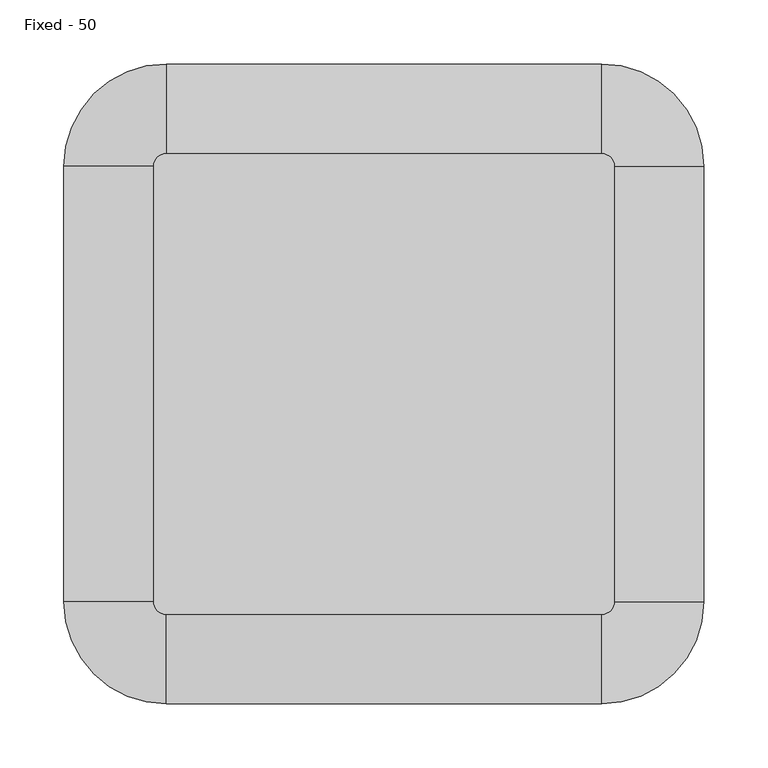
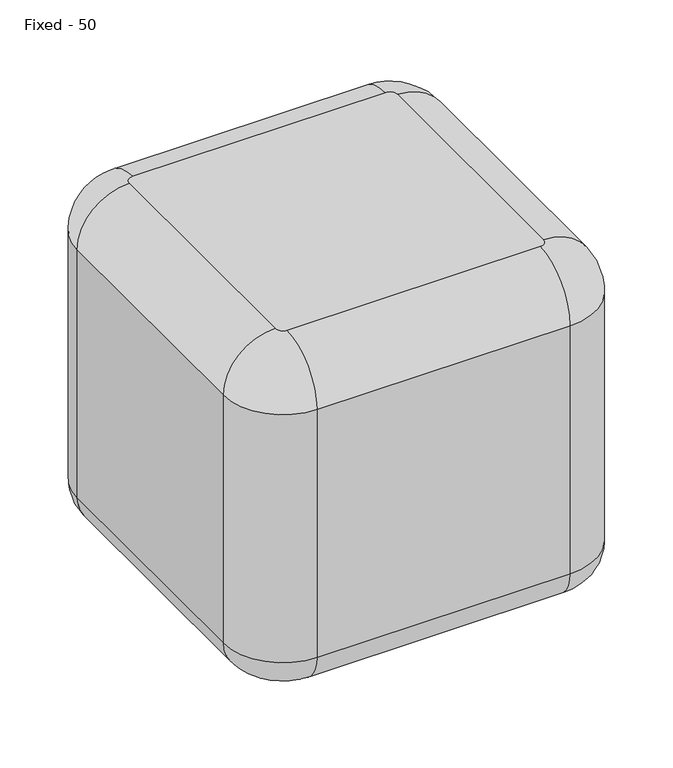
"""IFC4 building model written with IfcOpenShell, lengths in millimetres: furniture geometry, Fixed - 50."""

from ifc_helpers import new_model, si_unit, point, frame, frame_2d, origin, origin_with_axes, place, context, project, spatial, circle_curve, ellipse_curve, trimmed, segment, composite_curve, outline, extrude, source, transform, mapped, element, save
from ifc_brep_helpers import plane_surface, cylinder_surface, revolved_surface, advanced_brep


def fixed_50_8c2d9445(model_context):
    return source(origin(), model_context, "Body", "SolidModel", [
        extrude(outline(composite_curve([segment(trimmed(circle_curve(frame_2d((111.5, 395.0)), 20.0), [point((91.5, 395.0))], [point((131.5, 395.0))], False, "CARTESIAN"), True, "CONTINUOUS"), segment(trimmed(circle_curve(frame_2d((111.5, 395.0)), 20.0), [point((131.5, 395.0))], [point((91.5, 395.0))], False, "CARTESIAN"), True, "CONTINUOUS")], self_intersect=False)), origin_with_axes(), (0.0, 0.0, 1.0), 18.0),
        extrude(outline(composite_curve([segment(trimmed(circle_curve(frame_2d((388.5, 395.0)), 20.0), [point((368.5, 395.0))], [point((408.5, 395.0))], False, "CARTESIAN"), True, "CONTINUOUS"), segment(trimmed(circle_curve(frame_2d((388.5, 395.0)), 20.0), [point((408.5, 395.0))], [point((368.5, 395.0))], False, "CARTESIAN"), True, "CONTINUOUS")], self_intersect=False)), origin_with_axes(), (0.0, 0.0, 1.0), 18.0),
        extrude(outline(composite_curve([segment(trimmed(circle_curve(frame_2d((111.5, 105.0)), 20.0), [point((91.5, 105.0))], [point((131.5, 105.0))], False, "CARTESIAN"), True, "CONTINUOUS"), segment(trimmed(circle_curve(frame_2d((111.5, 105.0)), 20.0), [point((131.5, 105.0))], [point((91.5, 105.0))], False, "CARTESIAN"), True, "CONTINUOUS")], self_intersect=False)), origin_with_axes(), (0.0, 0.0, 1.0), 18.0),
        extrude(outline(composite_curve([segment(trimmed(circle_curve(frame_2d((388.5, 105.0)), 20.0), [point((368.5, 105.0))], [point((408.5, 105.0))], False, "CARTESIAN"), True, "CONTINUOUS"), segment(trimmed(circle_curve(frame_2d((388.5, 105.0)), 20.0), [point((408.5, 105.0))], [point((368.5, 105.0))], False, "CARTESIAN"), True, "CONTINUOUS")], self_intersect=False)), origin_with_axes(), (0.0, 0.0, 1.0), 18.0),
        advanced_brep(
        [(430.0, 420.0, 490.0), (420.0, 430.0, 490.0), (80.0, 430.0, 490.0), (70.0, 420.0, 490.0), (70.0, 80.0, 490.0), (80.0, 70.0, 490.0), (420.0, 70.0, 490.0), (430.0, 80.0, 490.0), (420.0, 450.0, 18.0), (450.0, 420.0, 18.0), (450.0, 80.0, 18.0), (420.0, 50.0, 18.0), (80.0, 50.0, 18.0), (50.0, 80.0, 18.0), (50.0, 420.0, 18.0), (80.0, 450.0, 18.0), (500.0, 420.0, 420.0), (420.0, 500.0, 420.0), (500.0, 420.0, 68.0), (420.0, 500.0, 68.0), (500.0, 80.0, 420.0), (500.0, 80.0, 68.0), (420.0, 0.0, 420.0), (420.0, 0.0, 68.0), (80.0, 0.0, 420.0), (80.0, 0.0, 68.0), (0.0, 80.0, 420.0), (0.0, 80.0, 68.0), (0.0, 420.0, 420.0), (0.0, 420.0, 68.0), (80.0, 500.0, 420.0), (80.0, 500.0, 68.0)],
        [
            (0, 1, circle_curve(frame((420.0, 420.0, 490.0), z_axis=(0.0, 0.0, 1.0), x_axis=(0.0, 1.0, 0.0)), 10.0)),
            (1, 2),
            (2, 3, circle_curve(frame((80.0, 420.0, 490.0), z_axis=(0.0, 0.0, 1.0), x_axis=(-1.0, 0.0, 0.0)), 10.0)),
            (3, 4),
            (4, 5, circle_curve(frame((80.0, 80.0, 490.0), z_axis=(0.0, 0.0, 1.0), x_axis=(0.0, -1.0, 0.0)), 10.0)),
            (5, 6),
            (6, 7, circle_curve(frame((420.0, 80.0, 490.0), z_axis=(0.0, 0.0, 1.0), x_axis=(1.0, 0.0, 0.0)), 10.0)),
            (7, 0),
            (8, 9, circle_curve(frame((420.0, 420.0, 18.0), z_axis=(0.0, 0.0, -1.0), x_axis=(0.0, 1.0, 0.0)), 30.0)),
            (9, 10),
            (10, 11, circle_curve(frame((420.0, 80.0, 18.0), z_axis=(0.0, 0.0, -1.0), x_axis=(1.0, 0.0, 0.0)), 30.0)),
            (11, 12),
            (12, 13, circle_curve(frame((80.0, 80.0, 18.0), z_axis=(0.0, 0.0, -1.0), x_axis=(0.0, -1.0, 0.0)), 30.0)),
            (13, 14),
            (14, 15, circle_curve(frame((80.0, 420.0, 18.0), z_axis=(0.0, 0.0, -1.0), x_axis=(-1.0, 0.0, 0.0)), 30.0)),
            (15, 8),
            (16, 17, circle_curve(frame((420.0, 420.0, 420.0), z_axis=(0.0, 0.0, 1.0), x_axis=(0.0, 1.0, 0.0)), 80.0)),
            (17, 1, circle_curve(frame((420.0, 430.0, 420.0), z_axis=(1.0, 0.0, 0.0), x_axis=(0.0, 1.0, 0.0)), 70.0)),
            (0, 16, circle_curve(frame((430.0, 420.0, 420.0), z_axis=(0.0, 1.0, 0.0), x_axis=(1.0, 0.0, 0.0)), 70.0)),
            (16, 18),
            (18, 19, circle_curve(frame((420.0, 420.0, 68.0), z_axis=(0.0, 0.0, 1.0), x_axis=(0.0, 1.0, 0.0)), 80.0)),
            (19, 17),
            (18, 9, circle_curve(frame((450.0, 420.0, 68.0), z_axis=(0.0, 1.0, 0.0), x_axis=(1.0, 0.0, 0.0)), 50.0)),
            (8, 19, circle_curve(frame((420.0, 450.0, 68.0), z_axis=(1.0, 0.0, 0.0), x_axis=(0.0, 1.0, 0.0)), 50.0)),
            (7, 20, circle_curve(frame((430.0, 80.0, 420.0), z_axis=(0.0, 1.0, 0.0), x_axis=(1.0, 0.0, 0.0)), 70.0)),
            (20, 16),
            (20, 21),
            (21, 18),
            (21, 10, circle_curve(frame((450.0, 80.0, 68.0), z_axis=(0.0, 1.0, 0.0), x_axis=(1.0, 0.0, 0.0)), 50.0)),
            (6, 22, circle_curve(frame((420.0, 70.0, 420.0), z_axis=(1.0, 0.0, 0.0), x_axis=(0.0, -1.0, 0.0)), 70.0)),
            (22, 20, circle_curve(frame((420.0, 80.0, 420.0), z_axis=(0.0, 0.0, 1.0), x_axis=(1.0, 0.0, 0.0)), 80.0)),
            (22, 23),
            (23, 21, circle_curve(frame((420.0, 80.0, 68.0), z_axis=(0.0, 0.0, 1.0), x_axis=(1.0, 0.0, 0.0)), 80.0)),
            (23, 11, circle_curve(frame((420.0, 50.0, 68.0), z_axis=(1.0, 0.0, 0.0), x_axis=(0.0, -1.0, 0.0)), 50.0)),
            (5, 24, circle_curve(frame((80.0, 70.0, 420.0), z_axis=(1.0, 0.0, 0.0), x_axis=(0.0, -1.0, 0.0)), 70.0)),
            (24, 22),
            (24, 25),
            (25, 23),
            (25, 12, circle_curve(frame((80.0, 50.0, 68.0), z_axis=(1.0, 0.0, 0.0), x_axis=(0.0, -1.0, 0.0)), 50.0)),
            (4, 26, circle_curve(frame((70.0, 80.0, 420.0), z_axis=(0.0, -1.0, 0.0), x_axis=(-1.0, 0.0, 0.0)), 70.0)),
            (26, 24, circle_curve(frame((80.0, 80.0, 420.0), z_axis=(0.0, 0.0, 1.0), x_axis=(0.0, -1.0, 0.0)), 80.0)),
            (26, 27),
            (27, 25, circle_curve(frame((80.0, 80.0, 68.0), z_axis=(0.0, 0.0, 1.0), x_axis=(0.0, -1.0, 0.0)), 80.0)),
            (27, 13, circle_curve(frame((50.0, 80.0, 68.0), z_axis=(0.0, -1.0, 0.0), x_axis=(-1.0, 0.0, 0.0)), 50.0)),
            (3, 28, circle_curve(frame((70.0, 420.0, 420.0), z_axis=(0.0, -1.0, 0.0), x_axis=(-1.0, 0.0, 0.0)), 70.0)),
            (28, 26),
            (28, 29),
            (29, 27),
            (29, 14, circle_curve(frame((50.0, 420.0, 68.0), z_axis=(0.0, -1.0, 0.0), x_axis=(-1.0, 0.0, 0.0)), 50.0)),
            (2, 30, circle_curve(frame((80.0, 430.0, 420.0), z_axis=(-1.0, 0.0, 0.0), x_axis=(0.0, 1.0, 0.0)), 70.0)),
            (30, 28, circle_curve(frame((80.0, 420.0, 420.0), z_axis=(0.0, 0.0, 1.0), x_axis=(-1.0, 0.0, 0.0)), 80.0)),
            (30, 31),
            (31, 29, circle_curve(frame((80.0, 420.0, 68.0), z_axis=(0.0, 0.0, 1.0), x_axis=(-1.0, 0.0, 0.0)), 80.0)),
            (31, 15, circle_curve(frame((80.0, 450.0, 68.0), z_axis=(-1.0, 0.0, 0.0), x_axis=(0.0, 1.0, 0.0)), 50.0)),
            (17, 30),
            (19, 31),
        ],
        [
            plane_surface(frame((80.0, 423.0, 490.0), z_axis=(0.0, 0.0, 1.0), x_axis=(-1.0, 0.0, 0.0))),
            plane_surface(frame((80.0, 423.0, 18.0), z_axis=(0.0, 0.0, -1.0), x_axis=(1.0, 0.0, 0.0))),
            revolved_surface(trimmed(ellipse_curve(frame((420.0, 430.0, 420.0), z_axis=(-1.0, 0.0, 0.0), x_axis=(0.0, 1.0, 0.0)), 70.0, 70.0), [point((420.0, 430.0, 490.0))], [point((420.0, 500.0, 420.0))], True, "CARTESIAN"), (420.0, 420.0, 0.0), (0.0, 0.0, -1.0)),
            cylinder_surface(frame((420.0, 420.0, 0.0), z_axis=(0.0, 0.0, -1.0), x_axis=(0.0, 1.0, 0.0)), 80.0),
            revolved_surface(trimmed(ellipse_curve(frame((420.0, 450.0, 68.0), z_axis=(-1.0, 0.0, 0.0), x_axis=(0.0, 1.0, 0.0)), 50.0, 50.0), [point((420.0, 500.0, 68.0))], [point((420.0, 450.0, 18.0))], True, "CARTESIAN"), (420.0, 420.0, 0.0), (0.0, 0.0, -1.0)),
            cylinder_surface(frame((430.0, 420.0, 420.0), z_axis=(0.0, 1.0, 0.0), x_axis=(1.0, 0.0, 0.0)), 70.0),
            plane_surface(frame((500.0, 420.0, 420.0), z_axis=(1.0, 0.0, 0.0), x_axis=(0.0, -1.0, 0.0))),
            cylinder_surface(frame((450.0, 420.0, 68.0), z_axis=(0.0, 1.0, 0.0), x_axis=(1.0, 0.0, 0.0)), 50.0),
            revolved_surface(trimmed(ellipse_curve(frame((430.0, 80.0, 420.0), z_axis=(0.0, 1.0, 0.0), x_axis=(1.0, 0.0, 0.0)), 70.0, 70.0), [point((430.0, 80.0, 490.0))], [point((500.0, 80.0, 420.0))], True, "CARTESIAN"), (420.0, 80.0, 0.0), (0.0, 0.0, -1.0)),
            cylinder_surface(frame((420.0, 80.0, 0.0), z_axis=(0.0, 0.0, -1.0), x_axis=(1.0, 0.0, 0.0)), 80.0),
            revolved_surface(trimmed(ellipse_curve(frame((450.0, 80.0, 68.0), z_axis=(0.0, 1.0, 0.0), x_axis=(1.0, 0.0, 0.0)), 50.0, 50.0), [point((500.0, 80.0, 68.0))], [point((450.0, 80.0, 18.0))], True, "CARTESIAN"), (420.0, 80.0, 0.0), (0.0, 0.0, -1.0)),
            cylinder_surface(frame((420.0, 70.0, 420.0), z_axis=(1.0, 0.0, 0.0), x_axis=(0.0, -1.0, 0.0)), 70.0),
            plane_surface(frame((420.0, 0.0, 420.0), z_axis=(0.0, -1.0, 0.0), x_axis=(-1.0, 0.0, 0.0))),
            cylinder_surface(frame((420.0, 50.0, 68.0), z_axis=(1.0, 0.0, 0.0), x_axis=(0.0, -1.0, 0.0)), 50.0),
            revolved_surface(trimmed(ellipse_curve(frame((80.0, 70.0, 420.0), z_axis=(1.0, 0.0, 0.0), x_axis=(0.0, -1.0, 0.0)), 70.0, 70.0), [point((80.0, 70.0, 490.0))], [point((80.0, 0.0, 420.0))], True, "CARTESIAN"), (80.0, 80.0, 0.0), (0.0, 0.0, -1.0)),
            cylinder_surface(frame((80.0, 80.0, 0.0), z_axis=(0.0, 0.0, -1.0), x_axis=(0.0, -1.0, 0.0)), 80.0),
            revolved_surface(trimmed(ellipse_curve(frame((80.0, 50.0, 68.0), z_axis=(1.0, 0.0, 0.0), x_axis=(0.0, -1.0, 0.0)), 50.0, 50.0), [point((80.0, 0.0, 68.0))], [point((80.0, 50.0, 18.0))], True, "CARTESIAN"), (80.0, 80.0, 0.0), (0.0, 0.0, -1.0)),
            cylinder_surface(frame((70.0, 80.0, 420.0), z_axis=(0.0, -1.0, 0.0), x_axis=(-1.0, 0.0, 0.0)), 70.0),
            plane_surface(frame((0.0, 80.0, 420.0), z_axis=(-1.0, 0.0, 0.0), x_axis=(0.0, 1.0, 0.0))),
            cylinder_surface(frame((50.0, 80.0, 68.0), z_axis=(0.0, -1.0, 0.0), x_axis=(-1.0, 0.0, 0.0)), 50.0),
            revolved_surface(trimmed(ellipse_curve(frame((70.0, 420.0, 420.0), z_axis=(0.0, -1.0, 0.0), x_axis=(-1.0, 0.0, 0.0)), 70.0, 70.0), [point((70.0, 420.0, 490.0))], [point((0.0, 420.0, 420.0))], True, "CARTESIAN"), (80.0, 420.0, 0.0), (0.0, 0.0, -1.0)),
            cylinder_surface(frame((80.0, 420.0, 0.0), z_axis=(0.0, 0.0, -1.0), x_axis=(-1.0, 0.0, 0.0)), 80.0),
            revolved_surface(trimmed(ellipse_curve(frame((50.0, 420.0, 68.0), z_axis=(0.0, -1.0, 0.0), x_axis=(-1.0, 0.0, 0.0)), 50.0, 50.0), [point((0.0, 420.0, 68.0))], [point((50.0, 420.0, 18.0))], True, "CARTESIAN"), (80.0, 420.0, 0.0), (0.0, 0.0, -1.0)),
            cylinder_surface(frame((80.0, 430.0, 420.0), z_axis=(-1.0, 0.0, 0.0), x_axis=(0.0, 1.0, 0.0)), 70.0),
            plane_surface(frame((80.0, 500.0, 420.0), z_axis=(0.0, 1.0, 0.0), x_axis=(1.0, 0.0, 0.0))),
            cylinder_surface(frame((80.0, 450.0, 68.0), z_axis=(-1.0, 0.0, 0.0), x_axis=(0.0, 1.0, 0.0)), 50.0),
        ],
        [
            (0, [[1, 2, 3, 4, 5, 6, 7, 8]]),
            (1, [[9, 10, 11, 12, 13, 14, 15, 16]]),
            (2, [[17, 18, -1, 19]]),
            (3, [[-17, 20, 21, 22]]),
            (4, [[-21, 23, -9, 24]]),
            (5, [[-19, -8, 25, 26]]),
            (6, [[-20, -26, 27, 28]]),
            (7, [[-23, -28, 29, -10]]),
            (8, [[-25, -7, 30, 31]]),
            (9, [[-27, -31, 32, 33]]),
            (10, [[-29, -33, 34, -11]]),
            (11, [[-30, -6, 35, 36]]),
            (12, [[-32, -36, 37, 38]]),
            (13, [[-34, -38, 39, -12]]),
            (14, [[-35, -5, 40, 41]]),
            (15, [[-37, -41, 42, 43]]),
            (16, [[-39, -43, 44, -13]]),
            (17, [[-40, -4, 45, 46]]),
            (18, [[-42, -46, 47, 48]]),
            (19, [[-44, -48, 49, -14]]),
            (20, [[-45, -3, 50, 51]]),
            (21, [[-47, -51, 52, 53]]),
            (22, [[-49, -53, 54, -15]]),
            (23, [[-18, 55, -50, -2]]),
            (24, [[-22, 56, -52, -55]]),
            (25, [[-24, -16, -54, -56]]),
        ],
    ),
    ])


if __name__ == "__main__":
    model = new_model("IFC4")
    model_context = context("Model", 3, world=origin())
    ifc_project = project(units=[si_unit("LENGTHUNIT", "METRE", prefix="MILLI")], contexts=[model_context])
    site = spatial("IfcSite", under=ifc_project)
    building = spatial("IfcBuilding", under=site)
    placement = place(None, origin())
    fixed_50_shape = fixed_50_8c2d9445(model_context)
    element("IfcFurniture", 1, ObjectType="Fixed - 50", at=placement, inside=building, context=model_context, shape_type="MappedRepresentation", body=[
        mapped(fixed_50_shape, transform((0.0, 0.0, 0.0), x_axis=(1.0, 0.0, 0.0), y_axis=(0.0, 1.0, 0.0), z_axis=(0.0, 0.0, 1.0))),
    ])
    save(model, "model.ifc")
